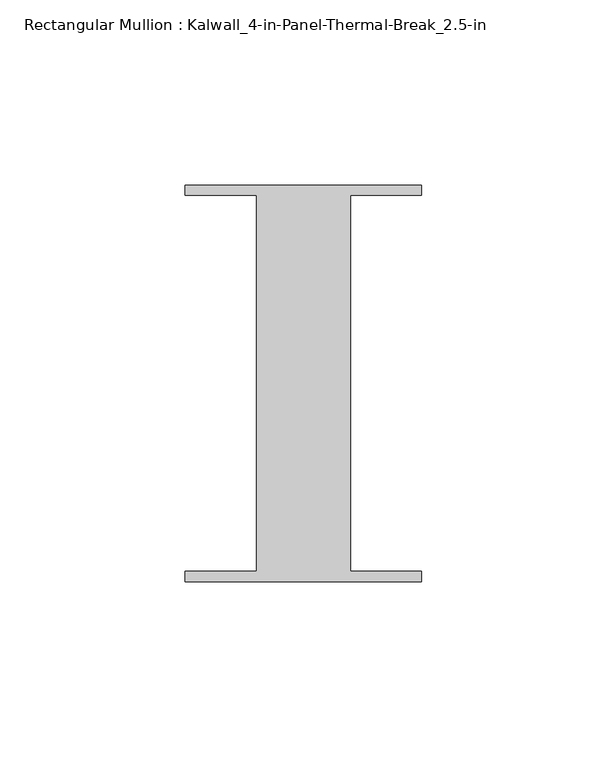
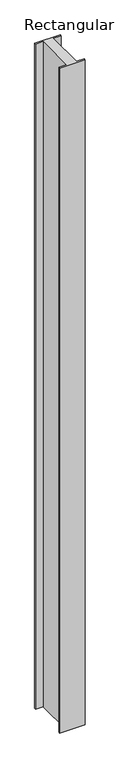
"""IFC4 building model written with IfcOpenShell, lengths in millimetres: member geometry, Rectangular Mullion : Kalwall_4-in-Panel-Thermal-Break_2.5-in."""

import ifcopenshell
import ifcopenshell.guid

model = None  # the IFC model being written
_history = None  # IfcOwnerHistory: only IFC2X3 demands one
_inside = {}  # id of a spatial element -> (the spatial element, [elements in it])
_under = {}  # id of a project, library or spatial element -> (it, [spatial elements below it])
_declared = {}  # id of a project -> (the project, [libraries it declares])
_typed = {}  # id of a type object -> (the type object, [elements of that type])
_made_of = {}  # id of a material, layer set ... -> (it, [elements and type objects made of it])


def new_model(schema):
    """Start an empty IFC model of exactly this schema.

    Asked for "IFC4X3", IfcOpenShell would pick the latest addendum, in which some entities
    have other attributes; the version numbers below select the first issue.
    IFC2X3 requires an IfcOwnerHistory on every rooted entity: one is made here for all.
    """
    global model, _history
    if schema == "IFC4X3":
        model = ifcopenshell.file(schema_version=(4, 3, 0, 0))
    else:
        model = ifcopenshell.file(schema=schema)
    _inside.clear()
    _under.clear()
    _declared.clear()
    _typed.clear()
    _made_of.clear()
    _history = None
    if model.schema == "IFC2X3":
        org = make("IfcOrganization", Name="unknown")
        user = make(
            "IfcPersonAndOrganization",
            ThePerson=make("IfcPerson", FamilyName="unknown"),
            TheOrganization=org,
        )
        app = make(
            "IfcApplication",
            ApplicationDeveloper=org,
            Version="unknown",
            ApplicationFullName="unknown",
            ApplicationIdentifier="unknown",
        )
        _history = make(
            "IfcOwnerHistory",
            OwningUser=user,
            OwningApplication=app,
            ChangeAction="ADDED",
            CreationDate=0,
        )
    return model


def make(cls, **values):
    """One entity of the class cls with the attributes given. An attribute that is None is left unset."""
    return model.create_entity(
        cls, **{name: value for name, value in values.items() if value is not None}
    )


def rooted(cls, **values):
    """An entity with a GlobalId (a new one), such as an element, a storey or a relation."""
    return make(cls, GlobalId=ifcopenshell.guid.new(), OwnerHistory=_history, **values)


def si_unit(unit_type, name, prefix=None):
    """IfcSIUnit, for example si_unit("LENGTHUNIT", "METRE", prefix="MILLI")."""
    return make("IfcSIUnit", UnitType=unit_type, Prefix=prefix, Name=name)


def assignment(units):
    """IfcUnitAssignment: the units of a project."""
    return None if units is None else make("IfcUnitAssignment", Units=units)


def point(xyz):
    """IfcCartesianPoint."""
    return None if xyz is None else make("IfcCartesianPoint", Coordinates=xyz)


def direction(xyz):
    """IfcDirection."""
    return None if xyz is None else make("IfcDirection", DirectionRatios=xyz)


def frame(location, z_axis=None, x_axis=None):
    """IfcAxis2Placement3D, a coordinate frame: its origin and axes. An axis left out is left unset."""
    return make(
        "IfcAxis2Placement3D",
        Location=point(location),
        Axis=direction(z_axis),
        RefDirection=direction(x_axis),
    )


def origin():
    """The frame at (0, 0, 0) with its axes left unset."""
    return frame((0.0, 0.0, 0.0))


def place(relative_to, where):
    """IfcLocalPlacement: puts the frame where relative to a parent placement (None: the world)."""
    return make(
        "IfcLocalPlacement", PlacementRelTo=relative_to, RelativePlacement=where
    )


def context(
    kind, dimensions, precision=None, world=None, true_north=None, identifier=None
):
    """IfcGeometricRepresentationContext, for example the 3D "Model" context."""
    return make(
        "IfcGeometricRepresentationContext",
        ContextIdentifier=identifier,
        ContextType=kind,
        CoordinateSpaceDimension=dimensions,
        Precision=precision,
        WorldCoordinateSystem=world,
        TrueNorth=true_north,
    )


def project(units=None, contexts=None):
    """IfcProject with its units and contexts."""
    return rooted(
        "IfcProject",
        Name="project",
        RepresentationContexts=contexts,
        UnitsInContext=assignment(units),
    )


def spatial(cls, under=None, at=None, **own):
    """A site, building, storey or space (cls), placed at a placement, below another one or the project."""
    s = rooted(cls, ObjectPlacement=at, **own)
    if under is not None:
        _under.setdefault(under.id(), (under, []))[1].append(s)
    return s


def polyline(points):
    """IfcPolyline through the points."""
    return make("IfcPolyline", Points=[point(p) for p in points])


def outline(outer, holes=None, kind="AREA"):
    """IfcArbitraryClosedProfileDef: a profile drawn as a closed curve; with holes, ...WithVoids."""
    if holes is None:
        return make("IfcArbitraryClosedProfileDef", ProfileType=kind, OuterCurve=outer)
    return make(
        "IfcArbitraryProfileDefWithVoids",
        ProfileType=kind,
        OuterCurve=outer,
        InnerCurves=holes,
    )


def extrude(swept, where, along, depth):
    """IfcExtrudedAreaSolid: the profile swept, set in the frame where, extruded along a direction by depth."""
    return make(
        "IfcExtrudedAreaSolid",
        SweptArea=swept,
        Position=where,
        ExtrudedDirection=direction(along),
        Depth=depth,
    )


def shape(context_of_items, identifier, shape_type, items):
    """IfcShapeRepresentation: the items that make up one representation, for example the "Body"."""
    return make(
        "IfcShapeRepresentation",
        ContextOfItems=context_of_items,
        RepresentationIdentifier=identifier,
        RepresentationType=shape_type,
        Items=items,
    )


def source(mapping_origin, context_of_items, identifier, shape_type, items):
    """IfcRepresentationMap: a shape defined once, which mapped items show again and again."""
    return make(
        "IfcRepresentationMap",
        MappingOrigin=mapping_origin,
        MappedRepresentation=shape(context_of_items, identifier, shape_type, items),
    )


def transform(
    local_origin,
    x_axis=None,
    y_axis=None,
    z_axis=None,
    scale=None,
    scale2=None,
    scale3=None,
    uniform=True,
):
    """IfcCartesianTransformationOperator3D, or its non-uniform kind. x_axis, y_axis, z_axis: its Axis1, 2, 3."""
    if uniform:
        return make(
            "IfcCartesianTransformationOperator3D",
            Axis1=direction(x_axis),
            Axis2=direction(y_axis),
            LocalOrigin=point(local_origin),
            Scale=scale,
            Axis3=direction(z_axis),
        )
    return make(
        "IfcCartesianTransformationOperator3DnonUniform",
        Axis1=direction(x_axis),
        Axis2=direction(y_axis),
        LocalOrigin=point(local_origin),
        Scale=scale,
        Axis3=direction(z_axis),
        Scale2=scale2,
        Scale3=scale3,
    )


def mapped(mapping_source, mapping_target):
    """IfcMappedItem: shows the shape of a source again, moved by a transform."""
    return make(
        "IfcMappedItem", MappingSource=mapping_source, MappingTarget=mapping_target
    )


def made_of(thing, what):
    """Note that an element or type object is made of a material, layer set ...; save() writes the relation."""
    if what is not None:
        _made_of.setdefault(what.id(), (what, []))[1].append(thing)
    return thing


def element(
    cls,
    number,
    at=None,
    inside=None,
    cuts=None,
    type_object=None,
    material=None,
    context=None,
    identifier="Body",
    shape_type=None,
    held_by="IfcProductDefinitionShape",
    body=None,
    shapes=None,
    **own,
):
    """One element of the class cls, such as IfcWall. Its Tag is "e" and its number.

    at: its placement. inside: the storey or other place that contains it. cuts: it is an
    opening in that element (IfcRelVoidsElement). A single representation is given by context,
    identifier, shape_type and body (its items); several are given by shapes. held_by: the class
    of the entity that holds the representations. save() writes the other relations.
    """
    e = rooted(cls, Tag="e%d" % number, ObjectPlacement=at, **own)
    if body is not None:
        shapes = [shape(context, identifier, shape_type, body)]
    if shapes is not None:
        e.Representation = make(held_by, Representations=shapes)
    if inside is not None:
        _inside.setdefault(inside.id(), (inside, []))[1].append(e)
    if cuts is not None:
        rooted(
            "IfcRelVoidsElement", RelatingBuildingElement=cuts, RelatedOpeningElement=e
        )
    if type_object is not None:
        _typed.setdefault(type_object.id(), (type_object, []))[1].append(e)
    return made_of(e, material)


def aggregate(whole, parts):
    """IfcRelAggregates: a whole, such as a stair, and the parts it consists of."""
    return rooted("IfcRelAggregates", RelatingObject=whole, RelatedObjects=parts)


def save(model, path):
    """Write the relations noted so far, then the file.

    IfcRelAggregates (storeys below a building ...), IfcRelContainedInSpatialStructure (elements
    in a storey), IfcRelDefinesByType, IfcRelAssociatesMaterial and IfcRelDeclares: one each for
    every whole, place, type object, material and project.
    """
    for whole, parts in _under.values():
        aggregate(whole, parts)
    for where, things in _inside.values():
        rooted(
            "IfcRelContainedInSpatialStructure",
            RelatedElements=things,
            RelatingStructure=where,
        )
    for kind, things in _typed.values():
        rooted("IfcRelDefinesByType", RelatedObjects=things, RelatingType=kind)
    for what, things in _made_of.values():
        rooted("IfcRelAssociatesMaterial", RelatedObjects=things, RelatingMaterial=what)
    for by, libraries in _declared.values():
        rooted("IfcRelDeclares", RelatingContext=by, RelatedDefinitions=libraries)
    model.write(path)


def rectangular_mullion_kalwall_4_in_panel_thermal_break_2_5_in_6963cc14(model_context):
    return source(origin(), model_context, "Body", "SweptSolid", [
        extrude(outline(polyline([(-32.0, 53.594), (32.0, 53.594), (32.0, 50.8), (12.7, 50.8), (12.7, -50.8), (32.0, -50.8), (32.0, -53.594), (-32.0, -53.594), (-32.0, -50.8), (-12.7, -50.8), (-12.7, 50.8), (-32.0, 50.8), (-32.0, 53.594)])), frame((0.0, 0.0, -1755.525), z_axis=(0.0, 0.0, 1.0), x_axis=(1.0, 0.0, 0.0)), (0.0, 0.0, 1.0), 1755.525),
    ])


if __name__ == "__main__":
    model = new_model("IFC4")
    model_context = context("Model", 3, world=origin())
    ifc_project = project(units=[si_unit("LENGTHUNIT", "METRE", prefix="MILLI")], contexts=[model_context])
    site = spatial("IfcSite", under=ifc_project)
    building = spatial("IfcBuilding", under=site)
    placement = place(None, origin())
    rectangular_mullion_kalwall_4_in_panel_thermal_break_2_5_in_shape = rectangular_mullion_kalwall_4_in_panel_thermal_break_2_5_in_6963cc14(model_context)
    element("IfcMember", 1, ObjectType="Rectangular Mullion : Kalwall_4-in-Panel-Thermal-Break_2.5-in", at=placement, inside=building, context=model_context, shape_type="MappedRepresentation", body=[
        mapped(rectangular_mullion_kalwall_4_in_panel_thermal_break_2_5_in_shape, transform((0.0, 0.0, 0.0), x_axis=(1.0, 0.0, 0.0), y_axis=(0.0, 1.0, 0.0), z_axis=(0.0, 0.0, 1.0))),
    ])
    save(model, "model.ifc")
